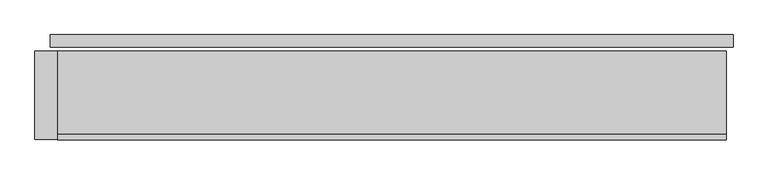
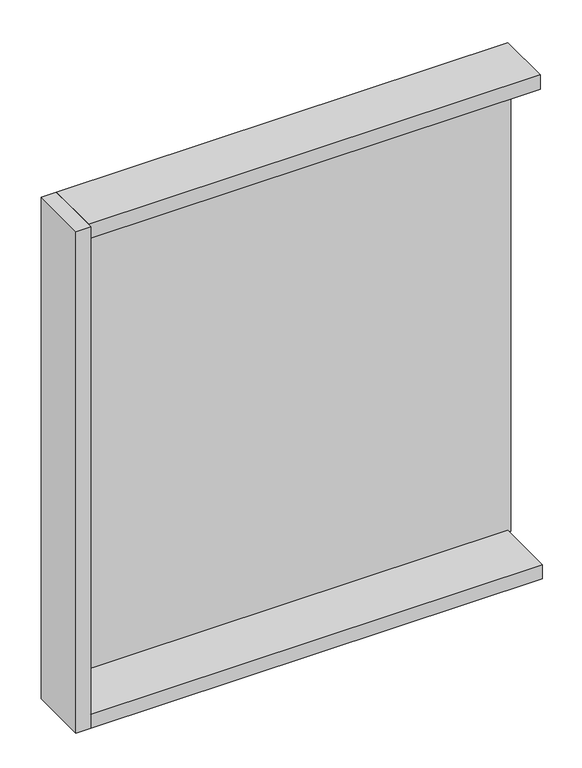
"""IFC4 building model written with IfcOpenShell, lengths in millimetres: plate geometry."""

from ifc_helpers import new_model, si_unit, frame, origin, origin_with_axes, place, context, project, spatial, polyline, outline, extrude, source, transform, mapped, element, save


def plate_886067b0(model_context):
    return source(origin(), model_context, "Body", "SweptSolid", [
        extrude(outline(polyline([(1235.0, 0.0), (1235.0, -44.0), (-1235.0, -44.0), (-1235.0, 0.0), (1235.0, 0.0)])), origin_with_axes(), (0.0, 0.0, 1.0), 2732.0),
        extrude(outline(polyline([(-1210.0, -60.0), (-1210.0, -380.0), (-1290.0, -380.0), (-1290.0, -60.0), (-1210.0, -60.0)])), frame((0.0, 0.0, -55.0), z_axis=(0.0, 0.0, 1.0), x_axis=(1.0, 0.0, 0.0)), (0.0, 0.0, 1.0), 2842.0),
        extrude(outline(polyline([(1210.0, -380.0), (-1210.0, -380.0), (-1210.0, -60.0), (1210.0, -60.0), (1210.0, -380.0)])), frame((0.0, 0.0, -55.0), z_axis=(0.0, 0.0, 1.0), x_axis=(1.0, 0.0, 0.0)), (0.0, 0.0, 1.0), 80.0),
        extrude(outline(polyline([(1210.0, -60.0), (1210.0, -360.0), (-1210.0, -360.0), (-1210.0, -60.0), (1210.0, -60.0)])), frame((0.0, 0.0, 2707.0), z_axis=(0.0, 0.0, 1.0), x_axis=(1.0, 0.0, 0.0)), (0.0, 0.0, 1.0), 80.0),
    ])


if __name__ == "__main__":
    model = new_model("IFC4")
    model_context = context("Model", 3, world=origin())
    ifc_project = project(units=[si_unit("LENGTHUNIT", "METRE", prefix="MILLI")], contexts=[model_context])
    site = spatial("IfcSite", under=ifc_project)
    building = spatial("IfcBuilding", under=site)
    placement = place(None, origin())
    plate_shape = plate_886067b0(model_context)
    element("IfcPlate", 1, at=placement, inside=building, context=model_context, shape_type="MappedRepresentation", body=[
        mapped(plate_shape, transform((0.0, 0.0, 0.0), x_axis=(1.0, 0.0, 0.0), y_axis=(0.0, 1.0, 0.0), z_axis=(0.0, 0.0, 1.0))),
    ])
    save(model, "model.ifc")
